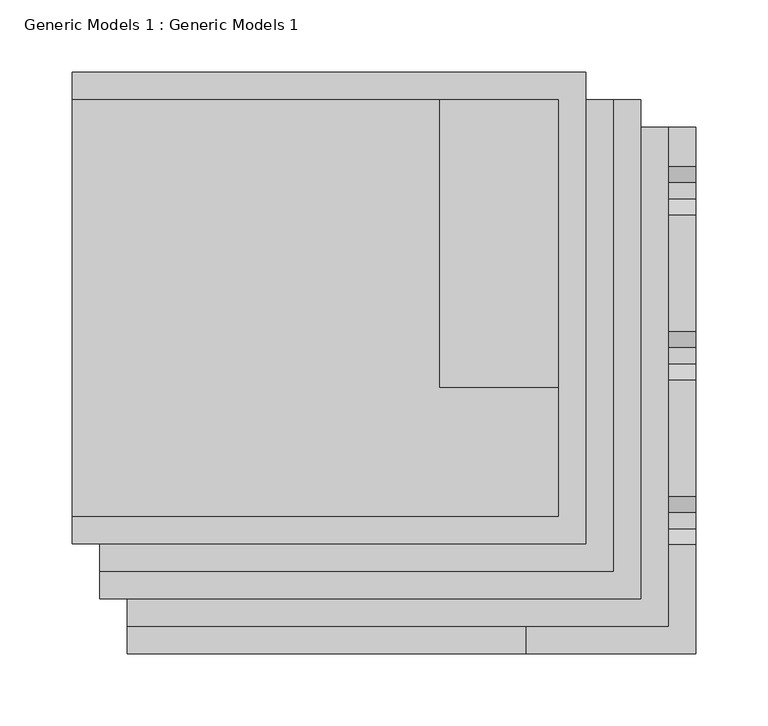
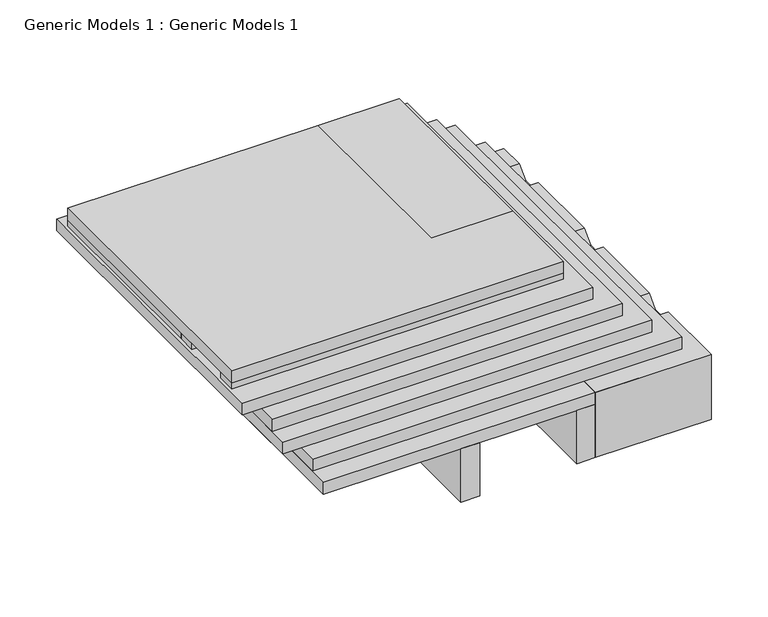
"""IFC4 building model written with IfcOpenShell, lengths in millimetres: proxy geometry, Generic Models 1 : Generic Models 1."""

from ifc_helpers import new_model, si_unit, frame, origin, place, context, project, spatial, polyline, outline, extrude, source, transform, mapped, element, save


def generic_models_1_generic_models_1_ee974165(model_context):
    return source(origin(), model_context, "Body", "SweptSolid", [
        extrude(outline(polyline([(-139.7, 402.6288588), (215.9, 402.6288588), (215.9, 76.2), (-139.7, 76.2), (-139.7, 402.6288588)])), frame((0.0, 0.0, 141.2875), z_axis=(0.0, 0.0, 1.0), x_axis=(1.0, 0.0, 0.0)), (0.0, 0.0, 1.0), 12.7),
        extrude(outline(polyline([(-139.7, 95.25), (-139.7, 383.5788588), (114.3, 383.5788588), (114.3, 184.15), (196.85, 184.15), (196.85, 95.25), (-139.7, 95.25)])), frame((0.0, 0.0, 164.30625), z_axis=(0.0, 0.0, 1.0), x_axis=(1.0, 0.0, 0.0)), (0.0, 0.0, 1.0), 12.7),
        extrude(outline(polyline([(114.3, 383.5788588), (196.85, 383.5788588), (196.85, 184.15), (114.3, 184.15), (114.3, 383.5788588)])), frame((0.0, 0.0, 164.30625), z_axis=(0.0, 0.0, 1.0), x_axis=(1.0, 0.0, 0.0)), (0.0, 0.0, 1.0), 12.7),
        extrude(outline(polyline([(-139.7, 383.5788588), (196.85, 383.5788588), (196.85, 184.15), (-139.7, 184.15), (-139.7, 383.5788588)])), frame((0.0, 0.0, 157.95625), z_axis=(0.0, 0.0, 1.0), x_axis=(1.0, 0.0, 0.0)), (0.0, 0.0, 1.0), 6.35),
        extrude(outline(polyline([(-139.7, 184.15), (196.85, 184.15), (196.85, 165.1), (-139.7, 165.1), (-139.7, 184.15)])), frame((0.0, 0.0, 157.95625), z_axis=(0.0, 0.0, 1.0), x_axis=(1.0, 0.0, 0.0)), (0.0, 0.0, 1.0), 6.35),
        extrude(outline(polyline([(-139.7, 114.3), (196.85, 114.3), (196.85, 95.25), (-139.7, 95.25), (-139.7, 114.3)])), frame((0.0, 0.0, 157.95625), z_axis=(0.0, 0.0, 1.0), x_axis=(1.0, 0.0, 0.0)), (0.0, 0.0, 1.0), 6.35),
        extrude(outline(polyline([(-120.65, 383.5788588), (234.95, 383.5788588), (234.95, 57.15), (-120.65, 57.15), (-120.65, 383.5788588)])), frame((0.0, 0.0, 128.5875), z_axis=(0.0, 0.0, 1.0), x_axis=(1.0, 0.0, 0.0)), (0.0, 0.0, 1.0), 12.7),
        extrude(outline(polyline([(-120.65, 383.5788588), (254.0, 383.5788588), (254.0, 38.1), (-120.65, 38.1), (-120.65, 383.5788588)])), frame((0.0, 0.0, 115.8875), z_axis=(0.0, 0.0, 1.0), x_axis=(1.0, 0.0, 0.0)), (0.0, 0.0, 1.0), 12.7),
        extrude(outline(polyline([(-101.6, 364.5288588), (273.05, 364.5288588), (273.05, 19.05), (-101.6, 19.05), (-101.6, 364.5288588)])), frame((0.0, 0.0, 102.39375), z_axis=(0.0, 0.0, 1.0), x_axis=(1.0, 0.0, 0.0)), (0.0, 0.0, 1.0), 12.7),
        extrude(outline(polyline([(228.670593, 44.45), (196.920593, 76.2), (201.410721, 76.2), (231.845593, 45.7651281), (262.2804649, 76.2), (266.770593, 76.2), (235.020593, 44.45), (228.670593, 44.45)])), frame((287.3375, 0.0, 0.0), z_axis=(1.0, 0.0, 0.0), x_axis=(0.0, 1.0, 0.0)), (0.0, 0.0, 1.0), 3.175),
        extrude(outline(polyline([(110.7911863, 44.45), (79.0411863, 76.2), (83.5313144, 76.2), (113.9661863, 45.7651281), (144.4010583, 76.2), (148.8911863, 76.2), (117.1411863, 44.45), (110.7911863, 44.45)])), frame((287.3375, 0.0, 0.0), z_axis=(1.0, 0.0, 0.0), x_axis=(0.0, 1.0, 0.0)), (0.0, 0.0, 1.0), 3.175),
        extrude(outline(polyline([(364.5288588, 88.9), (364.5288588, 76.2), (25.4, 76.2), (12.7, 88.9), (364.5288588, 88.9)])), frame((285.75, 0.0, 0.0), z_axis=(1.0, 0.0, 0.0), x_axis=(0.0, 1.0, 0.0)), (0.0, 0.0, 1.0), 6.35),
        extrude(outline(polyline([(364.5288588, 31.75), (69.85, 31.75), (57.15, 44.45), (364.5288588, 44.45), (364.5288588, 31.75)])), frame((285.75, 0.0, 0.0), z_axis=(1.0, 0.0, 0.0), x_axis=(0.0, 1.0, 0.0)), (0.0, 0.0, 1.0), 6.35),
        extrude(outline(polyline([(75.3364053, 101.6), (86.4489053, 90.4875), (97.8337772, 90.4875), (108.9462772, 101.6), (189.6364053, 101.6), (200.7489053, 90.4875), (212.1337772, 90.4875), (223.2462772, 101.6), (303.9364053, 101.6), (315.0489053, 90.4875), (326.4337772, 90.4875), (337.5462772, 101.6), (364.5288588, 101.6), (364.5288588, 100.0125), (338.2038412, 100.0125), (327.0913412, 88.9), (314.3913412, 88.9), (303.2788412, 100.0125), (223.9038412, 100.0125), (212.7913412, 88.9), (200.0913412, 88.9), (188.9788412, 100.0125), (109.6038412, 100.0125), (98.4913412, 88.9), (85.7913412, 88.9), (74.6788412, 100.0125), (1.5875, 100.0125), (0.0, 101.6), (75.3364053, 101.6)])), frame((174.625, 0.0, 0.0), z_axis=(1.0, 0.0, 0.0), x_axis=(0.0, 1.0, 0.0)), (0.0, 0.0, 1.0), 117.475),
        extrude(outline(polyline([(0.0, 31.75), (0.0, 101.6), (69.85, 31.75), (0.0, 31.75)])), frame((174.625, 0.0, 0.0), z_axis=(1.0, 0.0, 0.0), x_axis=(0.0, 1.0, 0.0)), (0.0, 0.0, 1.0), 117.475),
        extrude(outline(polyline([(57.15, 0.0), (38.1, 0.0), (38.1, 261.3017557), (57.15, 261.3017557), (57.15, 0.0)])), frame((0.0, 0.0, 31.75), z_axis=(0.0, 0.0, 1.0), x_axis=(1.0, 0.0, 0.0)), (0.0, 0.0, 1.0), 57.15),
        extrude(outline(polyline([(174.625, 0.0), (155.575, 0.0), (155.575, 261.3017557), (174.625, 261.3017557), (174.625, 0.0)])), frame((0.0, 0.0, 31.75), z_axis=(0.0, 0.0, 1.0), x_axis=(1.0, 0.0, 0.0)), (0.0, 0.0, 1.0), 57.15),
        extrude(outline(polyline([(-101.6, 364.5288588), (174.625, 364.5288588), (174.625, 0.0), (-101.6, 0.0), (-101.6, 364.5288588)])), frame((0.0, 0.0, 88.9), z_axis=(0.0, 0.0, 1.0), x_axis=(1.0, 0.0, 0.0)), (0.0, 0.0, 1.0), 12.7),
    ])


if __name__ == "__main__":
    model = new_model("IFC4")
    model_context = context("Model", 3, world=origin())
    ifc_project = project(units=[si_unit("LENGTHUNIT", "METRE", prefix="MILLI")], contexts=[model_context])
    site = spatial("IfcSite", under=ifc_project)
    building = spatial("IfcBuilding", under=site)
    placement = place(None, origin())
    generic_models_1_generic_models_1_shape = generic_models_1_generic_models_1_ee974165(model_context)
    element("IfcBuildingElementProxy", 1, Name="Generic Models 1 : Generic Models 1", ObjectType="Generic Models 1 : Generic Models 1", at=placement, inside=building, context=model_context, shape_type="MappedRepresentation", body=[
        mapped(generic_models_1_generic_models_1_shape, transform((0.0, 0.0, 0.0), x_axis=(1.0, 0.0, 0.0), y_axis=(0.0, 1.0, 0.0), z_axis=(0.0, 0.0, 1.0))),
    ])
    save(model, "model.ifc")
